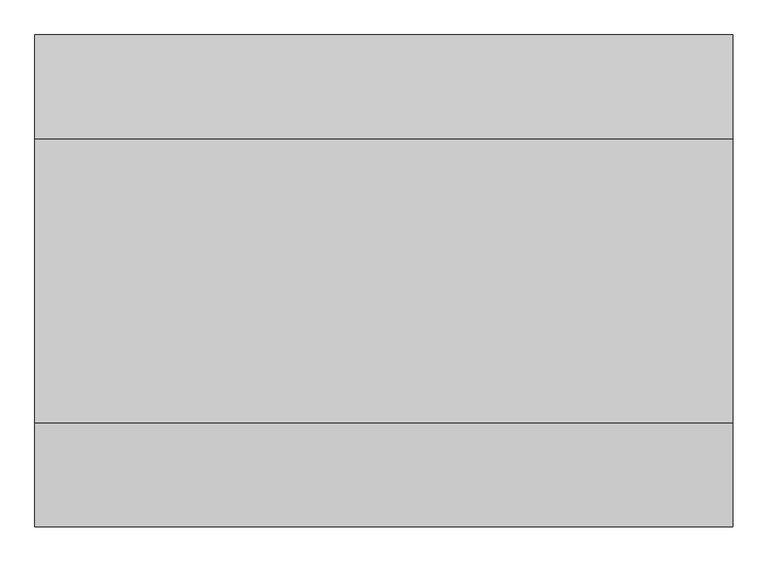
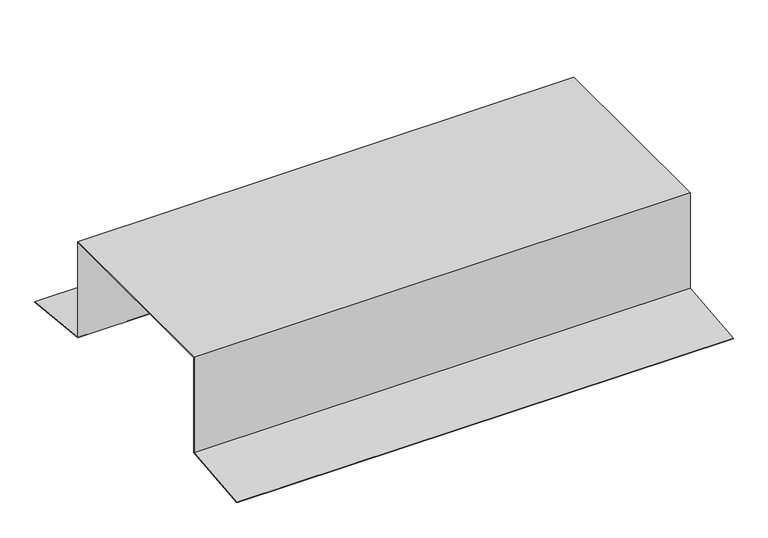
"""IFC4 building model written with IfcOpenShell, lengths in millimetres: proxy geometry."""

from ifc_helpers import new_model, si_unit, origin, place, context, project, spatial, faceted_brep, source, transform, mapped, element, save


def generic_models_7bfdf0d9(model_context):
    return source(origin(), model_context, "Body", "Brep", [
        faceted_brep([(1000.0, 202.0, 0.0), (1000.0, 203.0, 0.0), (1000.0, 203.0, 3.0), (1000.0, -203.0, 3.0), (1000.0, -203.0, 0.0), (1000.0, -202.0, 0.0), (1000.0, -202.0, 2.0), (1000.0, 202.0, 2.0), (1000.0, 202.0, -200.900404), (1000.0, 352.0737558, -216.6737914), (1000.0, 352.1782843, -215.6792695), (1000.0, 203.0, -200.0), (1000.0, -203.0, -200.0), (1000.0, -352.1782843, -215.6792695), (1000.0, -352.0737558, -216.6737914), (1000.0, -202.0, -200.900404), (0.0, 203.0, 0.0), (0.0, 202.0, 0.0), (0.0, 202.0, 2.0), (0.0, -202.0, 2.0), (0.0, -202.0, 0.0), (0.0, -203.0, 0.0), (0.0, -203.0, 3.0), (0.0, 203.0, 3.0), (0.0, 203.0, -200.0), (0.0, 352.1782843, -215.6792695), (0.0, 352.0737558, -216.6737914), (0.0, 202.0, -200.900404), (0.0, -202.0, -200.900404), (0.0, -352.0737558, -216.6737914), (0.0, -352.1782843, -215.6792695), (0.0, -203.0, -200.0)], [[[0, 1, 2, 3, 4, 5, 6, 7]], [[1, 0, 8, 9, 10, 11]], [[5, 4, 12, 13, 14, 15]], [[16, 17, 18, 19, 20, 21, 22, 23]], [[17, 16, 24, 25, 26, 27]], [[21, 20, 28, 29, 30, 31]], [[13, 12, 31, 30]], [[4, 3, 22, 21, 31, 12]], [[3, 2, 23, 22]], [[2, 1, 11, 24, 16, 23]], [[11, 10, 25, 24]], [[9, 8, 27, 26]], [[0, 7, 18, 17, 27, 8]], [[7, 6, 19, 18]], [[6, 5, 15, 28, 20, 19]], [[15, 14, 29, 28]], [[10, 9, 26, 25]], [[14, 13, 30, 29]]]),
    ])


if __name__ == "__main__":
    model = new_model("IFC4")
    model_context = context("Model", 3, world=origin())
    ifc_project = project(units=[si_unit("LENGTHUNIT", "METRE", prefix="MILLI")], contexts=[model_context])
    site = spatial("IfcSite", under=ifc_project)
    building = spatial("IfcBuilding", under=site)
    placement = place(None, origin())
    generic_models_shape = generic_models_7bfdf0d9(model_context)
    element("IfcBuildingElementProxy", 1, Name="Generic Models", at=placement, inside=building, context=model_context, shape_type="MappedRepresentation", body=[
        mapped(generic_models_shape, transform((0.0, 0.0, 0.0), x_axis=(1.0, 0.0, 0.0), y_axis=(0.0, 1.0, 0.0), z_axis=(0.0, 0.0, 1.0))),
    ])
    save(model, "model.ifc")
